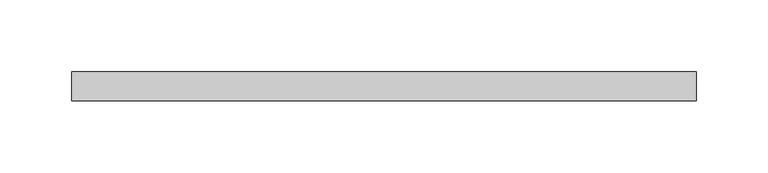
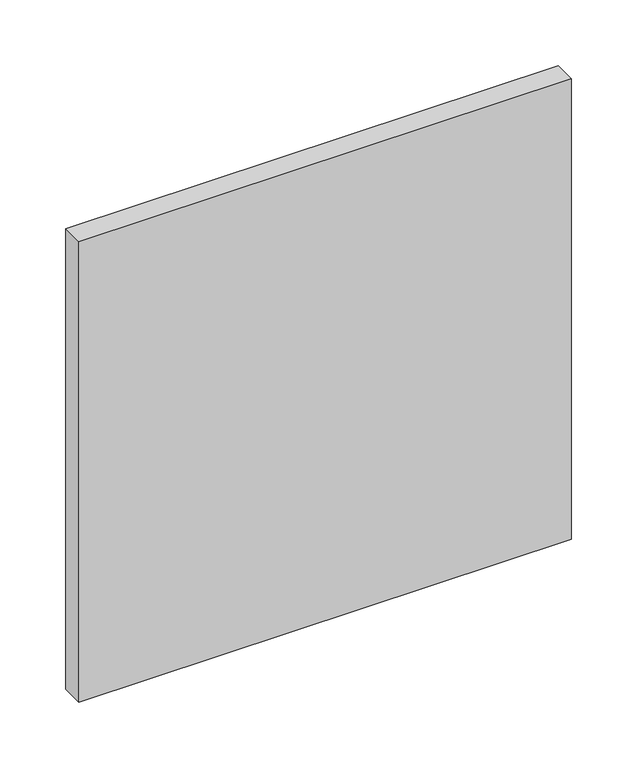
"""IFC4 building model written with IfcOpenShell, lengths in millimetres: plate geometry."""

from ifc_helpers import new_model, si_unit, origin, origin_with_axes, place, context, project, spatial, polyline, outline, extrude, source, transform, mapped, element, save


def plate_eaff5fbe(model_context):
    return source(origin(), model_context, "Body", "SweptSolid", [
        extrude(outline(polyline([(216.6666667, -90.0), (-216.6666667, -90.0), (-216.6666667, -70.0), (216.6666667, -70.0), (216.6666667, -90.0)])), origin_with_axes(), (0.0, 0.0, 1.0), 428.3552083),
    ])


if __name__ == "__main__":
    model = new_model("IFC4")
    model_context = context("Model", 3, world=origin())
    ifc_project = project(units=[si_unit("LENGTHUNIT", "METRE", prefix="MILLI")], contexts=[model_context])
    site = spatial("IfcSite", under=ifc_project)
    building = spatial("IfcBuilding", under=site)
    placement = place(None, origin())
    plate_shape = plate_eaff5fbe(model_context)
    element("IfcPlate", 1, at=placement, inside=building, context=model_context, shape_type="MappedRepresentation", body=[
        mapped(plate_shape, transform((0.0, 0.0, 0.0), x_axis=(1.0, 0.0, 0.0), y_axis=(0.0, 1.0, 0.0), z_axis=(0.0, 0.0, 1.0))),
    ])
    save(model, "model.ifc")
